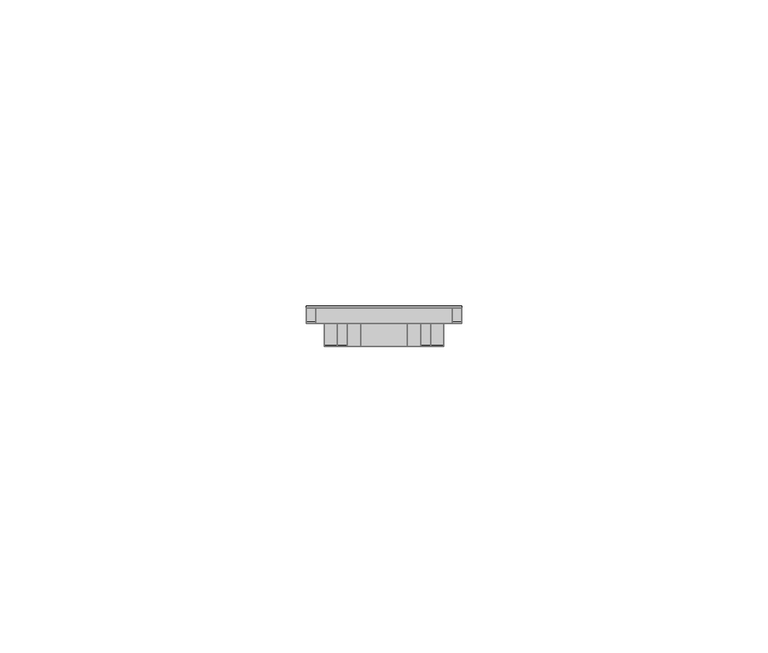
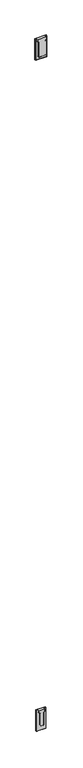
"""IFC4 building model written with IfcOpenShell, lengths in millimetres: furniture geometry."""

from ifc_helpers import new_model, si_unit, origin, place, context, project, spatial, triangles, source, transform, mapped, element, save


def furniture_4d49c17a(model_context):
    return source(origin(), model_context, "Body", "Tessellation", [
        triangles([(38.099212, 2.540988, 2743.2), (38.099212, 0.000988, 2743.2), (38.099212, 0.000988, 2692.3999031), (38.099212, 2.540988, 2692.3999031), (12.6992112, 0.000988, 2692.3999031), (12.6992112, 2.540988, 2692.3999031), (12.6992112, 0.000988, 2743.2), (12.6992112, 2.540988, 2743.2), (15.6202118, 0.000988, 2743.2), (15.6202118, -3.8090119, 2743.2), (35.1782125, -3.8090119, 2743.2), (35.1782125, 0.000988, 2743.2), (19.3667117, -3.8090119, 2700.0200775), (18.2441796, -3.8090119, 2700.4848747), (18.2441796, 0.000988, 2700.4848747), (19.3667117, 0.000988, 2700.0200775), (17.7792121, 0.000988, 2701.6074806), (17.7792121, -3.8090119, 2701.6074806), (16.1917113, -3.8090119, 2736.8500969), (17.3142434, -3.8090119, 2736.385009), (17.3142434, 0.000988, 2736.385009), (16.1917113, 0.000988, 2736.8500969), (17.7792121, 0.000988, 2735.2624031), (17.7792121, -3.8090119, 2735.2624031), (15.6202118, -3.8090119, 2736.8500969), (15.6202118, 0.000988, 2736.8500969), (31.4317115, 0.000988, 2700.0200775), (32.5542425, 0.000988, 2700.4848747), (33.0192123, 0.000988, 2701.6074806), (32.5542425, -3.8090119, 2700.4848747), (33.0192123, -3.8090119, 2701.6074806), (31.4317115, -3.8090119, 2700.0200775), (33.0192123, -3.8090119, 2735.2624031), (33.4841798, -3.8090119, 2736.385009), (33.4841798, 0.000988, 2736.385009), (33.0192123, 0.000988, 2735.2624031), (34.6067108, -3.8090119, 2736.8500969), (34.6067108, 0.000988, 2736.8500969), (35.1782125, -3.8090119, 2736.8500969), (35.1782125, 0.000988, 2736.8500969), (14.2747998, 2.5400001, 1068.400193), (14.2747998, 0.0, 1068.400193), (14.2747998, 0.0, 1119.2002172), (14.2747998, 2.5400001, 1119.2002172), (36.5252006, 2.5400001, 1068.400193), (36.5252006, 0.0, 1068.400193), (36.5252006, 2.5400001, 1119.2002172), (36.5252006, 0.0, 1119.2002172), (19.4309996, 0.0, 1119.2002172), (19.4309996, -3.8100001, 1119.2002172), (31.3689996, -3.8100001, 1119.2002172), (31.3689996, 0.0, 1119.2002172), (27.6225009, 0.0, 1081.1002172), (28.7450319, 0.0, 1081.5651598), (28.7450319, -3.8100001, 1081.5651598), (27.6225009, -3.8100001, 1081.1002172), (29.2099994, -3.8100001, 1082.687693), (29.2099994, 0.0, 1082.687693), (30.7975002, 0.0, 1112.8501688), (29.6749669, 0.0, 1112.3852262), (29.6749669, -3.8100001, 1112.3852262), (30.7975002, -3.8100001, 1112.8501688), (29.2099994, -3.8100001, 1111.262693), (29.2099994, 0.0, 1111.262693), (31.3689996, 0.0, 1112.8501688), (31.3689996, -3.8100001, 1112.8501688), (23.1775006, 0.0, 1081.1002172), (22.0549674, 0.0, 1081.5651598), (21.5899998, 0.0, 1082.687693), (21.5899998, -3.8100001, 1082.687693), (22.0549674, -3.8100001, 1081.5651598), (23.1775006, -3.8100001, 1081.1002172), (21.5899998, 0.0, 1111.262693), (21.1250323, 0.0, 1112.3852262), (21.1250323, -3.8100001, 1112.3852262), (21.5899998, -3.8100001, 1111.262693), (20.0024991, 0.0, 1112.8501688), (20.0024991, -3.8100001, 1112.8501688), (19.4309996, 0.0, 1112.8501688), (19.4309996, -3.8100001, 1112.8501688)], [[1, 2, 3], [1, 3, 4], [5, 3, 4], [5, 4, 6], [5, 7, 8], [5, 8, 6], [2, 7, 8], [2, 8, 1], [9, 10, 11], [9, 11, 12], [8, 6, 4], [8, 4, 1], [13, 14, 15], [13, 15, 16], [15, 17, 18], [15, 18, 14], [19, 20, 21], [19, 21, 22], [21, 23, 24], [21, 24, 20], [19, 25, 26], [19, 26, 22], [26, 9, 10], [26, 10, 25], [5, 26, 9], [5, 9, 7], [5, 26, 22], [5, 22, 21], [5, 21, 23], [5, 23, 17], [5, 15, 17], [5, 16, 15], [3, 27, 16], [3, 16, 5], [3, 28, 27], [3, 29, 28], [28, 30, 31], [28, 31, 29], [28, 30, 32], [28, 32, 27], [27, 32, 13], [27, 13, 16], [17, 18, 24], [17, 24, 23], [33, 34, 35], [33, 35, 36], [37, 34, 35], [37, 35, 38], [37, 39, 40], [37, 40, 38], [36, 33, 31], [36, 31, 29], [3, 36, 29], [3, 35, 36], [3, 38, 35], [3, 40, 38], [2, 12, 40], [2, 40, 3], [12, 11, 39], [12, 39, 40], [39, 37, 11], [37, 34, 11], [33, 11, 34], [25, 19, 10], [19, 20, 10], [20, 24, 10], [11, 33, 24], [11, 24, 10], [18, 31, 30], [18, 30, 14], [24, 33, 18], [33, 31, 18], [32, 30, 14], [32, 14, 13], [41, 42, 43], [41, 43, 44], [45, 41, 42], [45, 42, 46], [45, 47, 48], [45, 48, 46], [44, 47, 48], [44, 48, 43], [49, 50, 51], [49, 51, 52], [44, 41, 45], [44, 45, 47], [53, 54, 55], [53, 55, 56], [55, 57, 58], [55, 58, 54], [59, 60, 61], [59, 61, 62], [61, 63, 64], [61, 64, 60], [59, 65, 66], [59, 66, 62], [66, 51, 52], [66, 52, 65], [48, 52, 65], [48, 65, 46], [46, 59, 65], [46, 60, 59], [46, 64, 60], [46, 58, 64], [46, 58, 54], [46, 54, 53], [46, 53, 67], [46, 67, 42], [42, 67, 68], [42, 68, 69], [69, 70, 71], [69, 71, 68], [67, 72, 71], [67, 71, 68], [53, 56, 72], [53, 72, 67], [64, 63, 57], [64, 57, 58], [73, 74, 75], [73, 75, 76], [77, 74, 75], [77, 75, 78], [77, 79, 80], [77, 80, 78], [69, 70, 76], [69, 76, 73], [42, 69, 73], [42, 73, 74], [42, 74, 77], [42, 77, 79], [42, 79, 49], [42, 49, 43], [79, 80, 50], [79, 50, 49], [80, 50, 78], [78, 50, 75], [76, 75, 50], [66, 51, 62], [62, 51, 61], [61, 51, 63], [51, 63, 76], [51, 76, 50], [55, 71, 70], [55, 70, 57], [57, 70, 76], [57, 76, 63], [56, 55, 71], [56, 71, 72]], closed=False),
    ])


if __name__ == "__main__":
    model = new_model("IFC4")
    model_context = context("Model", 3, world=origin())
    ifc_project = project(units=[si_unit("LENGTHUNIT", "METRE", prefix="MILLI")], contexts=[model_context])
    site = spatial("IfcSite", under=ifc_project)
    building = spatial("IfcBuilding", under=site)
    placement = place(None, origin())
    furniture_shape = furniture_4d49c17a(model_context)
    element("IfcFurniture", 1, at=placement, inside=building, context=model_context, shape_type="MappedRepresentation", body=[
        mapped(furniture_shape, transform((0.0, 0.0, 0.0), x_axis=(1.0, 0.0, 0.0), y_axis=(0.0, 1.0, 0.0), z_axis=(0.0, 0.0, 1.0))),
    ])
    save(model, "model.ifc")
